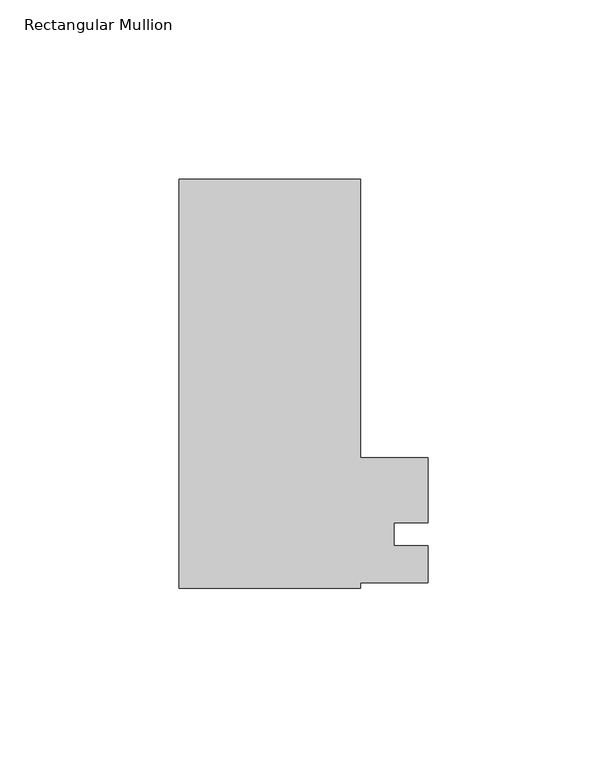
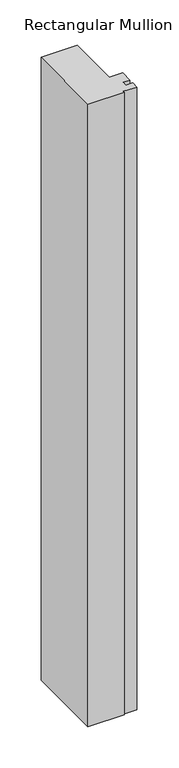
"""IFC4 building model written with IfcOpenShell, lengths in millimetres: member geometry, Rectangular Mullion."""

from ifc_helpers import new_model, si_unit, frame, origin, place, context, project, spatial, polyline, outline, extrude, source, transform, mapped, element, save


def rectangular_mullion_946ca115(model_context):
    return source(origin(), model_context, "Body", "SweptSolid", [
        extrude(outline(polyline([(29.7344027, 99.21875), (29.7344027, 21.3418928), (48.5377687, 21.3418928), (48.5377687, 3.175), (38.9746687, 3.175), (38.9746687, -3.175), (48.5377687, -3.175), (48.5377687, -13.5111236), (29.7344027, -13.5111236), (29.7344027, -15.08125), (-21.0655973, -15.08125), (-21.0655973, 99.21875), (29.7344027, 99.21875)])), frame((0.0, 0.0, -925.9405973), z_axis=(0.0, 0.0, 1.0), x_axis=(1.0, 0.0, 0.0)), (0.0, 0.0, 1.0), 925.9405973),
    ])


if __name__ == "__main__":
    model = new_model("IFC4")
    model_context = context("Model", 3, world=origin())
    ifc_project = project(units=[si_unit("LENGTHUNIT", "METRE", prefix="MILLI")], contexts=[model_context])
    site = spatial("IfcSite", under=ifc_project)
    building = spatial("IfcBuilding", under=site)
    placement = place(None, origin())
    rectangular_mullion_shape = rectangular_mullion_946ca115(model_context)
    element("IfcMember", 1, ObjectType="Rectangular Mullion", at=placement, inside=building, context=model_context, shape_type="MappedRepresentation", body=[
        mapped(rectangular_mullion_shape, transform((0.0, 0.0, 0.0), x_axis=(1.0, 0.0, 0.0), y_axis=(0.0, 1.0, 0.0), z_axis=(0.0, 0.0, 1.0))),
    ])
    save(model, "model.ifc")
